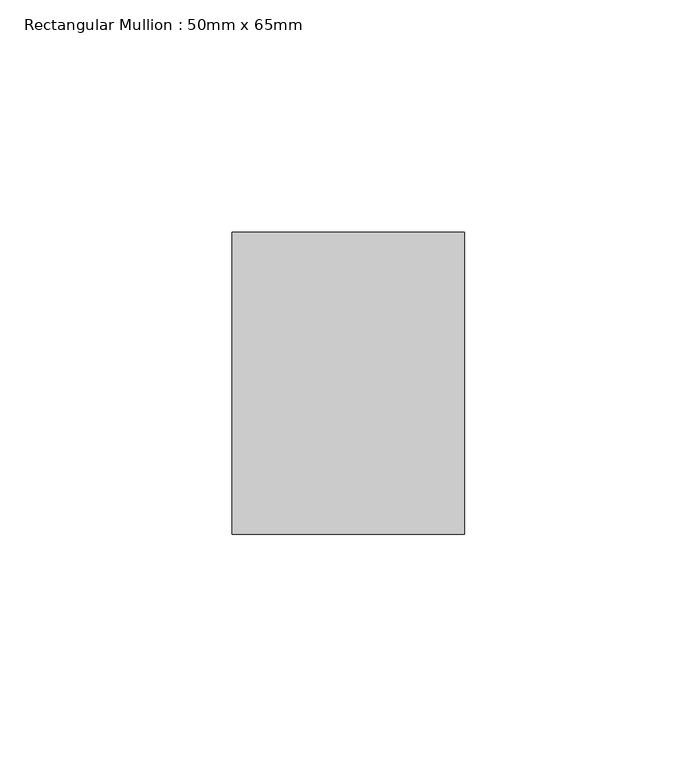
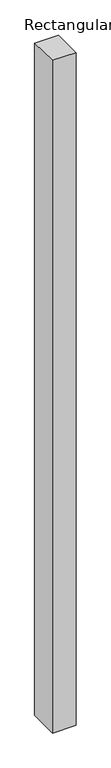
"""IFC4 building model written with IfcOpenShell, lengths in millimetres: member geometry, Rectangular Mullion : 50mm x 65mm."""

import ifcopenshell
import ifcopenshell.guid

model = None  # the IFC model being written
_history = None  # IfcOwnerHistory: only IFC2X3 demands one
_inside = {}  # id of a spatial element -> (the spatial element, [elements in it])
_under = {}  # id of a project, library or spatial element -> (it, [spatial elements below it])
_declared = {}  # id of a project -> (the project, [libraries it declares])
_typed = {}  # id of a type object -> (the type object, [elements of that type])
_made_of = {}  # id of a material, layer set ... -> (it, [elements and type objects made of it])


def new_model(schema):
    """Start an empty IFC model of exactly this schema.

    Asked for "IFC4X3", IfcOpenShell would pick the latest addendum, in which some entities
    have other attributes; the version numbers below select the first issue.
    IFC2X3 requires an IfcOwnerHistory on every rooted entity: one is made here for all.
    """
    global model, _history
    if schema == "IFC4X3":
        model = ifcopenshell.file(schema_version=(4, 3, 0, 0))
    else:
        model = ifcopenshell.file(schema=schema)
    _inside.clear()
    _under.clear()
    _declared.clear()
    _typed.clear()
    _made_of.clear()
    _history = None
    if model.schema == "IFC2X3":
        org = make("IfcOrganization", Name="unknown")
        user = make(
            "IfcPersonAndOrganization",
            ThePerson=make("IfcPerson", FamilyName="unknown"),
            TheOrganization=org,
        )
        app = make(
            "IfcApplication",
            ApplicationDeveloper=org,
            Version="unknown",
            ApplicationFullName="unknown",
            ApplicationIdentifier="unknown",
        )
        _history = make(
            "IfcOwnerHistory",
            OwningUser=user,
            OwningApplication=app,
            ChangeAction="ADDED",
            CreationDate=0,
        )
    return model


def make(cls, **values):
    """One entity of the class cls with the attributes given. An attribute that is None is left unset."""
    return model.create_entity(
        cls, **{name: value for name, value in values.items() if value is not None}
    )


def rooted(cls, **values):
    """An entity with a GlobalId (a new one), such as an element, a storey or a relation."""
    return make(cls, GlobalId=ifcopenshell.guid.new(), OwnerHistory=_history, **values)


def si_unit(unit_type, name, prefix=None):
    """IfcSIUnit, for example si_unit("LENGTHUNIT", "METRE", prefix="MILLI")."""
    return make("IfcSIUnit", UnitType=unit_type, Prefix=prefix, Name=name)


def assignment(units):
    """IfcUnitAssignment: the units of a project."""
    return None if units is None else make("IfcUnitAssignment", Units=units)


def point(xyz):
    """IfcCartesianPoint."""
    return None if xyz is None else make("IfcCartesianPoint", Coordinates=xyz)


def direction(xyz):
    """IfcDirection."""
    return None if xyz is None else make("IfcDirection", DirectionRatios=xyz)


def frame(location, z_axis=None, x_axis=None):
    """IfcAxis2Placement3D, a coordinate frame: its origin and axes. An axis left out is left unset."""
    return make(
        "IfcAxis2Placement3D",
        Location=point(location),
        Axis=direction(z_axis),
        RefDirection=direction(x_axis),
    )


def origin():
    """The frame at (0, 0, 0) with its axes left unset."""
    return frame((0.0, 0.0, 0.0))


def place(relative_to, where):
    """IfcLocalPlacement: puts the frame where relative to a parent placement (None: the world)."""
    return make(
        "IfcLocalPlacement", PlacementRelTo=relative_to, RelativePlacement=where
    )


def context(
    kind, dimensions, precision=None, world=None, true_north=None, identifier=None
):
    """IfcGeometricRepresentationContext, for example the 3D "Model" context."""
    return make(
        "IfcGeometricRepresentationContext",
        ContextIdentifier=identifier,
        ContextType=kind,
        CoordinateSpaceDimension=dimensions,
        Precision=precision,
        WorldCoordinateSystem=world,
        TrueNorth=true_north,
    )


def project(units=None, contexts=None):
    """IfcProject with its units and contexts."""
    return rooted(
        "IfcProject",
        Name="project",
        RepresentationContexts=contexts,
        UnitsInContext=assignment(units),
    )


def spatial(cls, under=None, at=None, **own):
    """A site, building, storey or space (cls), placed at a placement, below another one or the project."""
    s = rooted(cls, ObjectPlacement=at, **own)
    if under is not None:
        _under.setdefault(under.id(), (under, []))[1].append(s)
    return s


def faces_of(points, faces, orient=None, outer=None):
    """IfcFace entities. A face is a list of loops; a loop is a list of indices into points, from 0.

    orient and outer hold one flag for each loop. By default every Orientation is true, the
    first loop of a face is its IfcFaceOuterBound and the others are IfcFaceBound.
    """
    made = []
    for i, loops in enumerate(faces):
        bounds = []
        for j, loop in enumerate(loops):
            is_outer = j == 0 if outer is None else outer[i][j]
            bounds.append(
                make(
                    "IfcFaceOuterBound" if is_outer else "IfcFaceBound",
                    Bound=make("IfcPolyLoop", Polygon=[points[k] for k in loop]),
                    Orientation=True if orient is None else orient[i][j],
                )
            )
        made.append(make("IfcFace", Bounds=bounds))
    return made


def faceted_brep(points, faces, orient=None, outer=None, voids=None):
    """IfcFacetedBrep: a solid bounded by flat faces; with voids (closed shells), ...WithVoids."""
    shared = [point(p) for p in points]
    hull = make("IfcClosedShell", CfsFaces=faces_of(shared, faces, orient, outer))
    if voids is None:
        return make("IfcFacetedBrep", Outer=hull)
    return make(
        "IfcFacetedBrepWithVoids",
        Outer=hull,
        Voids=[
            make(cls, CfsFaces=faces_of(shared, fs, o, b)) for cls, fs, o, b in voids
        ],
    )


def shape(context_of_items, identifier, shape_type, items):
    """IfcShapeRepresentation: the items that make up one representation, for example the "Body"."""
    return make(
        "IfcShapeRepresentation",
        ContextOfItems=context_of_items,
        RepresentationIdentifier=identifier,
        RepresentationType=shape_type,
        Items=items,
    )


def source(mapping_origin, context_of_items, identifier, shape_type, items):
    """IfcRepresentationMap: a shape defined once, which mapped items show again and again."""
    return make(
        "IfcRepresentationMap",
        MappingOrigin=mapping_origin,
        MappedRepresentation=shape(context_of_items, identifier, shape_type, items),
    )


def transform(
    local_origin,
    x_axis=None,
    y_axis=None,
    z_axis=None,
    scale=None,
    scale2=None,
    scale3=None,
    uniform=True,
):
    """IfcCartesianTransformationOperator3D, or its non-uniform kind. x_axis, y_axis, z_axis: its Axis1, 2, 3."""
    if uniform:
        return make(
            "IfcCartesianTransformationOperator3D",
            Axis1=direction(x_axis),
            Axis2=direction(y_axis),
            LocalOrigin=point(local_origin),
            Scale=scale,
            Axis3=direction(z_axis),
        )
    return make(
        "IfcCartesianTransformationOperator3DnonUniform",
        Axis1=direction(x_axis),
        Axis2=direction(y_axis),
        LocalOrigin=point(local_origin),
        Scale=scale,
        Axis3=direction(z_axis),
        Scale2=scale2,
        Scale3=scale3,
    )


def mapped(mapping_source, mapping_target):
    """IfcMappedItem: shows the shape of a source again, moved by a transform."""
    return make(
        "IfcMappedItem", MappingSource=mapping_source, MappingTarget=mapping_target
    )


def made_of(thing, what):
    """Note that an element or type object is made of a material, layer set ...; save() writes the relation."""
    if what is not None:
        _made_of.setdefault(what.id(), (what, []))[1].append(thing)
    return thing


def element(
    cls,
    number,
    at=None,
    inside=None,
    cuts=None,
    type_object=None,
    material=None,
    context=None,
    identifier="Body",
    shape_type=None,
    held_by="IfcProductDefinitionShape",
    body=None,
    shapes=None,
    **own,
):
    """One element of the class cls, such as IfcWall. Its Tag is "e" and its number.

    at: its placement. inside: the storey or other place that contains it. cuts: it is an
    opening in that element (IfcRelVoidsElement). A single representation is given by context,
    identifier, shape_type and body (its items); several are given by shapes. held_by: the class
    of the entity that holds the representations. save() writes the other relations.
    """
    e = rooted(cls, Tag="e%d" % number, ObjectPlacement=at, **own)
    if body is not None:
        shapes = [shape(context, identifier, shape_type, body)]
    if shapes is not None:
        e.Representation = make(held_by, Representations=shapes)
    if inside is not None:
        _inside.setdefault(inside.id(), (inside, []))[1].append(e)
    if cuts is not None:
        rooted(
            "IfcRelVoidsElement", RelatingBuildingElement=cuts, RelatedOpeningElement=e
        )
    if type_object is not None:
        _typed.setdefault(type_object.id(), (type_object, []))[1].append(e)
    return made_of(e, material)


def aggregate(whole, parts):
    """IfcRelAggregates: a whole, such as a stair, and the parts it consists of."""
    return rooted("IfcRelAggregates", RelatingObject=whole, RelatedObjects=parts)


def save(model, path):
    """Write the relations noted so far, then the file.

    IfcRelAggregates (storeys below a building ...), IfcRelContainedInSpatialStructure (elements
    in a storey), IfcRelDefinesByType, IfcRelAssociatesMaterial and IfcRelDeclares: one each for
    every whole, place, type object, material and project.
    """
    for whole, parts in _under.values():
        aggregate(whole, parts)
    for where, things in _inside.values():
        rooted(
            "IfcRelContainedInSpatialStructure",
            RelatedElements=things,
            RelatingStructure=where,
        )
    for kind, things in _typed.values():
        rooted("IfcRelDefinesByType", RelatedObjects=things, RelatingType=kind)
    for what, things in _made_of.values():
        rooted("IfcRelAssociatesMaterial", RelatedObjects=things, RelatingMaterial=what)
    for by, libraries in _declared.values():
        rooted("IfcRelDeclares", RelatingContext=by, RelatedDefinitions=libraries)
    model.write(path)


def rectangular_mullion_50mm_x_65mm_2771128f(model_context):
    return source(origin(), model_context, "Body", "Brep", [
        faceted_brep([(-25.0, 32.5, -0.4966775), (25.0, 32.5, -0.4966778), (25.0, 32.5, -1499.5921103), (-25.0, 32.5, -1499.5921105), (-25.0, -32.5, 0.4966778), (-25.0, -32.5, -1500.4067621), (25.0, -32.5, 0.4966775), (25.0, -32.5, -1500.4067619)], [[[0, 1, 2, 3]], [[4, 0, 3, 5]], [[6, 4, 5, 7]], [[1, 6, 7, 2]], [[1, 0, 4, 6]], [[2, 7, 5, 3]]]),
    ])


if __name__ == "__main__":
    model = new_model("IFC4")
    model_context = context("Model", 3, world=origin())
    ifc_project = project(units=[si_unit("LENGTHUNIT", "METRE", prefix="MILLI")], contexts=[model_context])
    site = spatial("IfcSite", under=ifc_project)
    building = spatial("IfcBuilding", under=site)
    placement = place(None, origin())
    rectangular_mullion_50mm_x_65mm_shape = rectangular_mullion_50mm_x_65mm_2771128f(model_context)
    element("IfcMember", 1, ObjectType="Rectangular Mullion : 50mm x 65mm", at=placement, inside=building, context=model_context, shape_type="MappedRepresentation", body=[
        mapped(rectangular_mullion_50mm_x_65mm_shape, transform((0.0, 0.0, 0.0), x_axis=(1.0, 0.0, 0.0), y_axis=(0.0, 1.0, 0.0), z_axis=(0.0, 0.0, 1.0))),
    ])
    save(model, "model.ifc")
